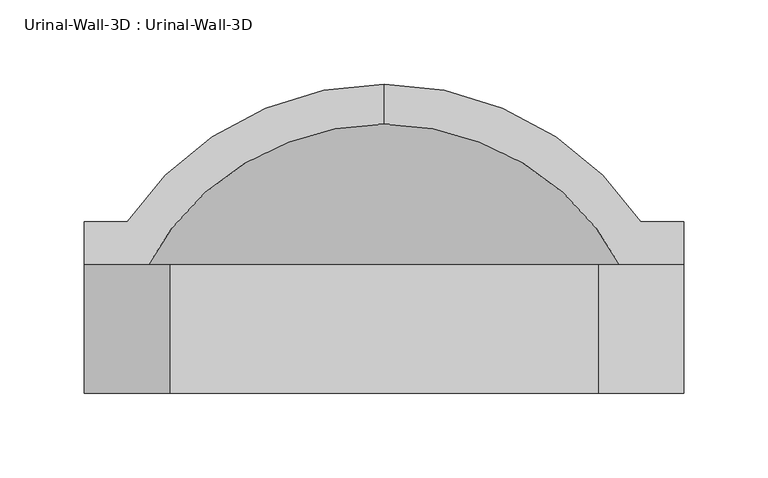
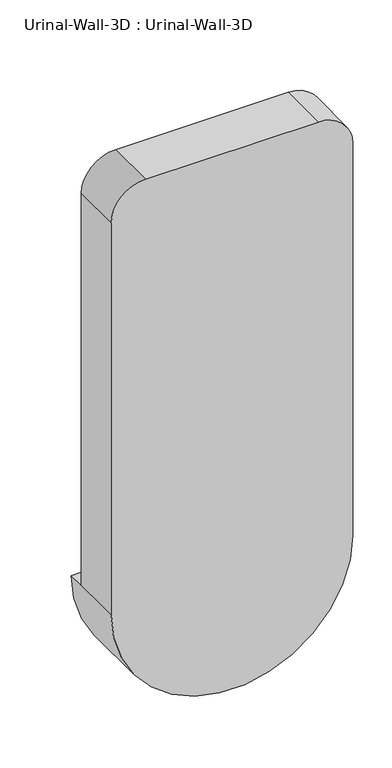
"""IFC4 building model written with IfcOpenShell, lengths in millimetres: flow terminal geometry, Urinal-Wall-3D : Urinal-Wall-3D."""

from ifc_helpers import new_model, si_unit, point, frame, origin, place, context, project, spatial, polyline, circle_curve, ellipse_curve, trimmed, source, transform, mapped, element, save
from ifc_brep_helpers import plane_surface, cylinder_surface, revolved_surface, advanced_brep


def urinal_wall_3d_urinal_wall_3d_7db5597a(model_context):
    return source(origin(), model_context, "Body", "AdvancedBrep", [
        advanced_brep(
        [(-109.0745999, 249.8370048, 609.6), (-109.0745999, 226.1197043, 609.6), (43.3254001, 113.5456063, 609.6), (43.3254001, 142.875, 609.6), (68.7254001, 142.875, 609.6), (68.7254001, 168.275, 609.6), (43.3254001, 168.275, 609.6), (-261.4745999, 168.275, 609.6), (-286.8745999, 168.275, 609.6), (-286.8745999, 142.875, 609.6), (-261.4745999, 142.875, 609.6), (-261.4745999, 113.5456063, 609.6), (-261.4745999, 79.375, 609.6), (43.3254001, 79.375, 609.6), (-286.8745999, 66.675, 609.6), (68.7254001, 66.675, 609.6), (68.7254001, 66.675, 1219.2), (17.9254001, 66.675, 1270.0), (-236.0745999, 66.675, 1270.0), (-286.8745999, 66.675, 1219.2), (43.3254001, 142.875, 1168.4), (-7.4745999, 142.875, 1219.2), (-210.6745999, 142.875, 1219.2), (-261.4745999, 142.875, 1168.4), (-286.8745999, 142.875, 1219.2), (-236.0745999, 142.875, 1270.0), (17.9254001, 142.875, 1270.0), (68.7254001, 142.875, 1219.2), (43.3254001, 79.375, 1168.4), (-7.4745999, 79.375, 1219.2), (-210.6745999, 79.375, 1219.2), (-261.4745999, 79.375, 1168.4)],
        [
            (0, 1),
            (1, 2, circle_curve(frame((-109.0745999, 66.675, 609.6), z_axis=(0.0, 0.0, -1.0), x_axis=(1.0, 0.0, 0.0)), 159.4447043)),
            (2, 3),
            (3, 4),
            (4, 5),
            (5, 6),
            (6, 0, circle_curve(frame((-109.0745999, 66.675, 609.6), z_axis=(0.0, 0.0, 1.0), x_axis=(1.0, 0.0, 0.0)), 183.1620048)),
            (0, 7, circle_curve(frame((-109.0745999, 66.675, 609.6), z_axis=(0.0, 0.0, 1.0), x_axis=(-1.0, 0.0, 0.0)), 183.1620048)),
            (7, 8),
            (8, 9),
            (9, 10),
            (10, 11),
            (11, 1, circle_curve(frame((-109.0745999, 66.675, 609.6), z_axis=(0.0, 0.0, -1.0), x_axis=(-1.0, 0.0, 0.0)), 159.4447043)),
            (11, 2, circle_curve(frame((-109.0745999, 113.5456063, 609.6), z_axis=(0.0, -1.0, 0.0), x_axis=(1.0, 0.0, 0.0)), 152.4)),
            (11, 12),
            (12, 13, circle_curve(frame((-109.0745999, 79.375, 609.6), z_axis=(0.0, -1.0, 0.0), x_axis=(1.0, 0.0, 0.0)), 152.4)),
            (13, 2),
            (14, 15, circle_curve(frame((-109.0745999, 66.675, 609.6), z_axis=(0.0, -1.0, 0.0), x_axis=(1.0, 0.0, 0.0)), 177.8)),
            (15, 16),
            (16, 17, circle_curve(frame((17.9254001, 66.675, 1219.2), z_axis=(0.0, -1.0, 0.0), x_axis=(-1.0, 0.0, 0.0)), 50.8)),
            (17, 18),
            (18, 19, circle_curve(frame((-236.0745999, 66.675, 1219.2), z_axis=(0.0, -1.0, 0.0), x_axis=(-1.0, 0.0, 0.0)), 50.8)),
            (19, 14),
            (14, 9),
            (8, 5, circle_curve(frame((-109.0745999, 168.275, 609.6), z_axis=(0.0, -1.0, 0.0), x_axis=(1.0, 0.0, 0.0)), 177.8)),
            (4, 15),
            (7, 6, circle_curve(frame((-109.0745999, 168.275, 609.6), z_axis=(0.0, -1.0, 0.0), x_axis=(1.0, 0.0, 0.0)), 152.4)),
            (3, 20),
            (20, 21, circle_curve(frame((-7.4745999, 142.875, 1168.4), z_axis=(0.0, -1.0, 0.0), x_axis=(-1.0, 0.0, 0.0)), 50.8)),
            (21, 22),
            (22, 23, circle_curve(frame((-210.6745999, 142.875, 1168.4), z_axis=(0.0, -1.0, 0.0), x_axis=(-1.0, 0.0, 0.0)), 50.8)),
            (23, 10),
            (9, 24),
            (24, 25, circle_curve(frame((-236.0745999, 142.875, 1219.2), z_axis=(0.0, 1.0, 0.0), x_axis=(-1.0, 0.0, 0.0)), 50.8)),
            (25, 26),
            (26, 27, circle_curve(frame((17.9254001, 142.875, 1219.2), z_axis=(0.0, 1.0, 0.0), x_axis=(-1.0, 0.0, 0.0)), 50.8)),
            (27, 4),
            (13, 28),
            (28, 20),
            (28, 29, circle_curve(frame((-7.4745999, 79.375, 1168.4), z_axis=(0.0, -1.0, 0.0), x_axis=(-1.0, 0.0, 0.0)), 50.8)),
            (29, 21),
            (29, 30),
            (30, 22),
            (30, 31, circle_curve(frame((-210.6745999, 79.375, 1168.4), z_axis=(0.0, -1.0, 0.0), x_axis=(-1.0, 0.0, 0.0)), 50.8)),
            (31, 23),
            (31, 12),
            (19, 24),
            (18, 25),
            (17, 26),
            (16, 27),
        ],
        [
            plane_surface(frame((-109.0745999, 355.8854173, 609.6), z_axis=(0.0, 0.0, 1.0), x_axis=(1.0, 0.0, 0.0))),
            plane_surface(frame((-109.0745999, 355.8854173, 609.6), z_axis=(0.0, 0.0, 1.0), x_axis=(-1.0, 0.0, 0.0))),
            revolved_surface(trimmed(ellipse_curve(frame((-109.0745999, 66.675, 609.6), z_axis=(0.0, 0.0, -1.0), x_axis=(1.0, 0.0, 0.0)), 159.4447043, 159.4447043), [point((-109.0745999, 226.1197043, 609.6))], [point((43.3254001, 113.5456063, 609.6))], True, "CARTESIAN"), (-109.0745999, 355.8854173, 609.6), (0.0, 1.0, 0.0)),
            revolved_surface(polyline([(43.32540010000001, 113.5456063, 609.6), (43.32540010000001, 79.375, 609.6)]), (-109.0745999, 355.8854173, 609.6), (0.0, 1.0, 0.0)),
            plane_surface(frame((-109.0745999, 66.675, 609.6), z_axis=(0.0, -1.0, 0.0), x_axis=(1.0, 0.0, 0.0))),
            cylinder_surface(frame((-109.0745999, 355.8854173, 609.6), z_axis=(0.0, 1.0, 0.0), x_axis=(1.0, 0.0, 0.0)), 177.8),
            plane_surface(frame((-109.0745999, 168.275, 609.6), z_axis=(0.0, 1.0, 0.0), x_axis=(1.0, 0.0, 0.0))),
            revolved_surface(trimmed(ellipse_curve(frame((-109.0745999, 66.675, 609.6), z_axis=(0.0, 0.0, 1.0), x_axis=(1.0, 0.0, 0.0)), 183.1620048, 183.1620048), [point((43.3254001, 168.275, 609.6))], [point((-109.0745999, 249.8370048, 609.6))], True, "CARTESIAN"), (-109.0745999, 355.8854173, 609.6), (0.0, 1.0, 0.0)),
            plane_surface(frame((43.3254001, 142.875, 609.6), z_axis=(0.0, 1.0, 0.0), x_axis=(0.0, 0.0, 1.0))),
            plane_surface(frame((43.3254001, 142.875, 609.6), z_axis=(-1.0, 0.0, 0.0), x_axis=(0.0, -1.0, 0.0))),
            revolved_surface(polyline([(-58.2745999, 79.375, 1168.4), (-58.2745999, 142.875, 1168.4)]), (-7.4745999, 66.675, 1168.4), (0.0, -1.0, 0.0)),
            plane_surface(frame((-7.4745999, 142.875, 1219.2), z_axis=(0.0, 0.0, -1.0), x_axis=(0.0, -1.0, 0.0))),
            revolved_surface(polyline([(-261.4745999, 79.375, 1168.4), (-261.4745999, 142.875, 1168.4)]), (-210.6745999, 66.675, 1168.4), (0.0, -1.0, 0.0)),
            plane_surface(frame((-261.4745999, 142.875, 1168.4), z_axis=(1.0, 0.0, 0.0), x_axis=(0.0, -1.0, 0.0))),
            plane_surface(frame((-286.8745999, 142.875, 609.6), z_axis=(-1.0, 0.0, 0.0), x_axis=(0.0, -1.0, 0.0))),
            cylinder_surface(frame((-236.0745999, 66.675, 1219.2), z_axis=(0.0, 1.0, 0.0), x_axis=(-1.0, 0.0, 0.0)), 50.8),
            plane_surface(frame((-236.0745999, 142.875, 1270.0), z_axis=(0.0, 0.0, 1.0), x_axis=(0.0, -1.0, 0.0))),
            cylinder_surface(frame((17.9254001, 66.675, 1219.2), z_axis=(0.0, 1.0, 0.0), x_axis=(-1.0, 0.0, 0.0)), 50.8),
            plane_surface(frame((68.7254001, 142.875, 1219.2), z_axis=(1.0, 0.0, 0.0), x_axis=(0.0, -1.0, 0.0))),
            plane_surface(frame((43.3254001, 79.375, 609.6), z_axis=(0.0, 1.0, 0.0), x_axis=(0.0, 0.0, -1.0))),
        ],
        [
            (0, [[1, 2, 3, 4, 5, 6, 7]]),
            (1, [[-1, 8, 9, 10, 11, 12, 13]]),
            (2, [[-2, -13, 14]]),
            (3, [[-14, 15, 16, 17]]),
            (4, [[18, 19, 20, 21, 22, 23]]),
            (5, [[-18, 24, -10, 25, -5, 26]]),
            (6, [[-6, -25, -9, 27]]),
            (7, [[-7, -27, -8]]),
            (8, [[28, 29, 30, 31, 32, -11, 33, 34, 35, 36, 37, -4]]),
            (9, [[-28, -3, -17, 38, 39]]),
            (10, [[-29, -39, 40, 41]]),
            (11, [[-30, -41, 42, 43]]),
            (12, [[-31, -43, 44, 45]]),
            (13, [[-32, -45, 46, -15, -12]]),
            (14, [[-33, -24, -23, 47]]),
            (15, [[-34, -47, -22, 48]]),
            (16, [[-35, -48, -21, 49]]),
            (17, [[-36, -49, -20, 50]]),
            (18, [[-37, -50, -19, -26]]),
            (19, [[-16, -46, -44, -42, -40, -38]]),
        ],
    ),
    ])


if __name__ == "__main__":
    model = new_model("IFC4")
    model_context = context("Model", 3, world=origin())
    ifc_project = project(units=[si_unit("LENGTHUNIT", "METRE", prefix="MILLI")], contexts=[model_context])
    site = spatial("IfcSite", under=ifc_project)
    building = spatial("IfcBuilding", under=site)
    placement = place(None, origin())
    urinal_wall_3d_urinal_wall_3d_shape = urinal_wall_3d_urinal_wall_3d_7db5597a(model_context)
    element("IfcFlowTerminal", 1, ObjectType="Urinal-Wall-3D : Urinal-Wall-3D", at=placement, inside=building, context=model_context, shape_type="MappedRepresentation", body=[
        mapped(urinal_wall_3d_urinal_wall_3d_shape, transform((0.0, 0.0, 0.0), x_axis=(1.0, 0.0, 0.0), y_axis=(0.0, 1.0, 0.0), z_axis=(0.0, 0.0, 1.0))),
    ])
    save(model, "model.ifc")
